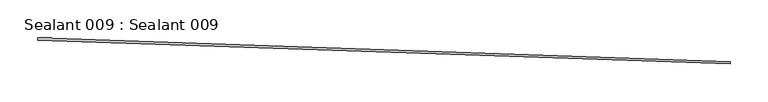
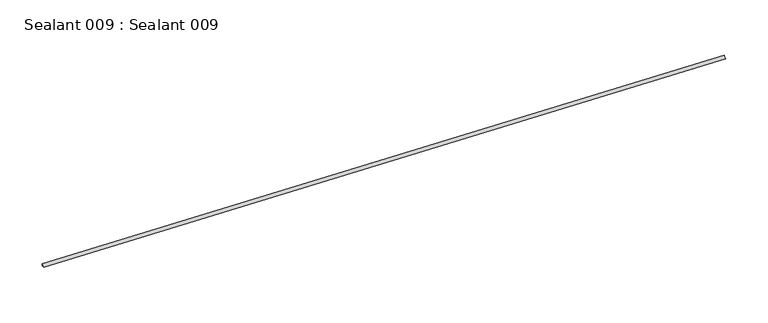
"""IFC4 building model written with IfcOpenShell, lengths in millimetres: proxy geometry, Sealant 009 : Sealant 009."""

from ifc_helpers import new_model, si_unit, frame, origin, place, context, project, spatial, polyline, circle_curve, source, transform, mapped, element, save
from ifc_brep_helpers import plane_surface, revolved_surface, advanced_brep


def sealant_009_sealant_009_6c0d8f0c(model_context):
    return source(origin(), model_context, "Body", "AdvancedBrep", [
        advanced_brep(
        [(33438.0882894, -15515.8211567, 1162.7956052), (33438.1968801, -15512.6480143, 1165.9706052), (33438.1968801, -15512.6480143, 1162.7956052), (34351.9533178, -15547.095266, 1162.7956052), (34352.0619085, -15543.9221236, 1162.7956052), (34352.0619085, -15543.9221236, 1165.9706052)],
        [
            (0, 1, circle_curve(frame((33438.0882894, -15515.8211567, 1165.9706052), z_axis=(0.9994149479163338, -0.0342017818452759, 0.0), x_axis=(-0.0342017818452759, -0.9994149479163338, 0.0)), 3.175)),
            (1, 2),
            (2, 0),
            (3, 4),
            (4, 5),
            (5, 3, circle_curve(frame((34351.9533178, -15547.095266, 1165.9706052), z_axis=(-0.9994149479163338, 0.0342017818452759, 0.0), x_axis=(-0.0342017818452759, -0.9994149479163338, 0.0)), 3.175)),
            (0, 3),
            (5, 1),
            (4, 2),
        ],
        [
            plane_surface(frame((33437.9796988, -15518.9942992, 1165.9706052), z_axis=(-0.9994149479164166, 0.034201781842857666, 0.0), x_axis=(0.0, 0.0, -1.0))),
            plane_surface(frame((34351.8447272, -15550.2684085, 1165.9706052), z_axis=(0.9994149479164166, -0.034201781842857666, 0.0), x_axis=(0.0, 0.0, 1.0))),
            revolved_surface(polyline([(34351.84472718727, -15550.268408461163, 1165.9706052), (33437.97969874334, -15518.994299139473, 1165.9706052)]), (34351.9533178, -15547.095266, 1165.9706052), (0.9994149479163338, -0.0342017818452759, 0.0)),
            plane_surface(frame((33438.1968801, -15512.6480143, 1165.9706052), z_axis=(0.03420178184285781, 0.9994149479164166, 3.315290731877876e-12), x_axis=(0.9994149479164166, -0.03420178184285781, 0.0))),
            plane_surface(frame((33438.1968801, -15512.6480143, 1162.7956052), z_axis=(0.0, 0.0, -1.0000000000000002), x_axis=(0.9994149479164166, -0.03420178184285781, 0.0))),
        ],
        [
            (0, [[1, 2, 3]]),
            (1, [[4, 5, 6]]),
            (2, [[-1, 7, -6, 8]]),
            (3, [[-2, -8, -5, 9]]),
            (4, [[-3, -9, -4, -7]]),
        ],
    ),
    ])


if __name__ == "__main__":
    model = new_model("IFC4")
    model_context = context("Model", 3, world=origin())
    ifc_project = project(units=[si_unit("LENGTHUNIT", "METRE", prefix="MILLI")], contexts=[model_context])
    site = spatial("IfcSite", under=ifc_project)
    building = spatial("IfcBuilding", under=site)
    placement = place(None, origin())
    sealant_009_sealant_009_shape = sealant_009_sealant_009_6c0d8f0c(model_context)
    element("IfcBuildingElementProxy", 1, Name="Sealant 009 : Sealant 009", ObjectType="Sealant 009 : Sealant 009", at=placement, inside=building, context=model_context, shape_type="MappedRepresentation", body=[
        mapped(sealant_009_sealant_009_shape, transform((0.0, 0.0, 0.0), x_axis=(1.0, 0.0, 0.0), y_axis=(0.0, 1.0, 0.0), z_axis=(0.0, 0.0, 1.0))),
    ])
    save(model, "model.ifc")
